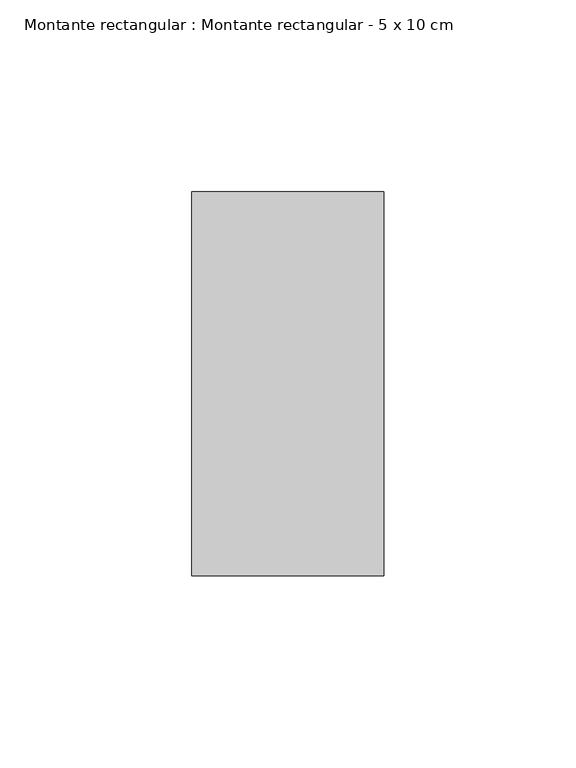
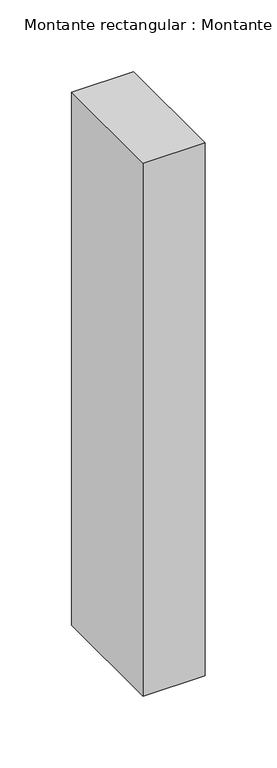
"""IFC4 building model written with IfcOpenShell, lengths in millimetres: member geometry, Montante rectangular : Montante rectangular - 5 x 10 cm."""

from ifc_helpers import new_model, si_unit, frame, origin, place, context, project, spatial, polyline, outline, extrude, source, transform, mapped, element, save


def montante_rectangular_montante_rectangular_5_x_10_cm_2e3f7d29(model_context):
    return source(origin(), model_context, "Body", "SweptSolid", [
        extrude(outline(polyline([(25.0, 50.0), (25.0, -50.0), (-25.0, -50.0), (-25.0, 50.0), (25.0, 50.0)])), frame((0.0, 0.0, -454.0), z_axis=(0.0, 0.0, 1.0), x_axis=(1.0, 0.0, 0.0)), (0.0, 0.0, 1.0), 454.0),
    ])


if __name__ == "__main__":
    model = new_model("IFC4")
    model_context = context("Model", 3, world=origin())
    ifc_project = project(units=[si_unit("LENGTHUNIT", "METRE", prefix="MILLI")], contexts=[model_context])
    site = spatial("IfcSite", under=ifc_project)
    building = spatial("IfcBuilding", under=site)
    placement = place(None, origin())
    montante_rectangular_montante_rectangular_5_x_10_cm_shape = montante_rectangular_montante_rectangular_5_x_10_cm_2e3f7d29(model_context)
    element("IfcMember", 1, ObjectType="Montante rectangular : Montante rectangular - 5 x 10 cm", at=placement, inside=building, context=model_context, shape_type="MappedRepresentation", body=[
        mapped(montante_rectangular_montante_rectangular_5_x_10_cm_shape, transform((0.0, 0.0, 0.0), x_axis=(1.0, 0.0, 0.0), y_axis=(0.0, 1.0, 0.0), z_axis=(0.0, 0.0, 1.0))),
    ])
    save(model, "model.ifc")
